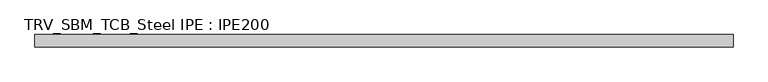
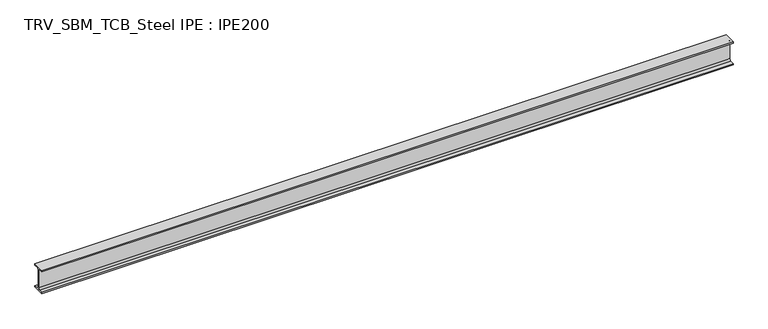
"""IFC4 building model written with IfcOpenShell, lengths in millimetres: beam geometry, TRV_SBM_TCB_Steel IPE : IPE200."""

from ifc_helpers import new_model, si_unit, point, frame, frame_2d, origin, place, context, project, spatial, polyline, circle_curve, trimmed, segment, composite_curve, outline, extrude, source, transform, mapped, element, save


def trv_sbm_tcb_steel_ipe_ipe200_2b225423(model_context):
    return source(origin(), model_context, "Body", "SweptSolid", [
        extrude(outline(composite_curve([segment(polyline([(-50.0, -89.3), (-18.55, -89.3)]), True, "CONTINUOUS"), segment(trimmed(circle_curve(frame_2d((-18.55, -74.3)), 15.0), [point((-18.55, -89.3))], [point((-3.55, -74.3))], True, "CARTESIAN"), True, "CONTINUOUS"), segment(polyline([(-3.55, -74.3), (-3.55, 74.3)]), True, "CONTINUOUS"), segment(trimmed(circle_curve(frame_2d((-18.55, 74.3)), 15.0), [point((-3.55, 74.3))], [point((-18.55, 89.3))], True, "CARTESIAN"), True, "CONTINUOUS"), segment(polyline([(-18.55, 89.3), (-50.0, 89.3), (-50.0, 100.0), (50.0, 100.0), (50.0, 89.3), (18.55, 89.3)]), True, "CONTINUOUS"), segment(trimmed(circle_curve(frame_2d((18.55, 74.3)), 15.0), [point((18.55, 89.3))], [point((3.55, 74.3))], True, "CARTESIAN"), True, "CONTINUOUS"), segment(polyline([(3.55, 74.3), (3.55, -74.3)]), True, "CONTINUOUS"), segment(trimmed(circle_curve(frame_2d((18.55, -74.3)), 15.0), [point((3.55, -74.3))], [point((18.55, -89.3))], True, "CARTESIAN"), True, "CONTINUOUS"), segment(polyline([(18.55, -89.3), (50.0, -89.3), (50.0, -100.0), (-50.0, -100.0), (-50.0, -89.3)]), True, "CONTINUOUS")], self_intersect=False)), frame((-2819.5, 0.0, 0.0), z_axis=(1.0, 0.0, 0.0), x_axis=(0.0, 1.0, 0.0)), (0.0, 0.0, 1.0), 5699.0),
    ])


if __name__ == "__main__":
    model = new_model("IFC4")
    model_context = context("Model", 3, world=origin())
    ifc_project = project(units=[si_unit("LENGTHUNIT", "METRE", prefix="MILLI")], contexts=[model_context])
    site = spatial("IfcSite", under=ifc_project)
    building = spatial("IfcBuilding", under=site)
    placement = place(None, origin())
    trv_sbm_tcb_steel_ipe_ipe200_shape = trv_sbm_tcb_steel_ipe_ipe200_2b225423(model_context)
    element("IfcBeam", 1, ObjectType="TRV_SBM_TCB_Steel IPE : IPE200", at=placement, inside=building, context=model_context, shape_type="MappedRepresentation", body=[
        mapped(trv_sbm_tcb_steel_ipe_ipe200_shape, transform((0.0, 0.0, 0.0), x_axis=(1.0, 0.0, 0.0), y_axis=(0.0, 1.0, 0.0), z_axis=(0.0, 0.0, 1.0))),
    ])
    save(model, "model.ifc")
